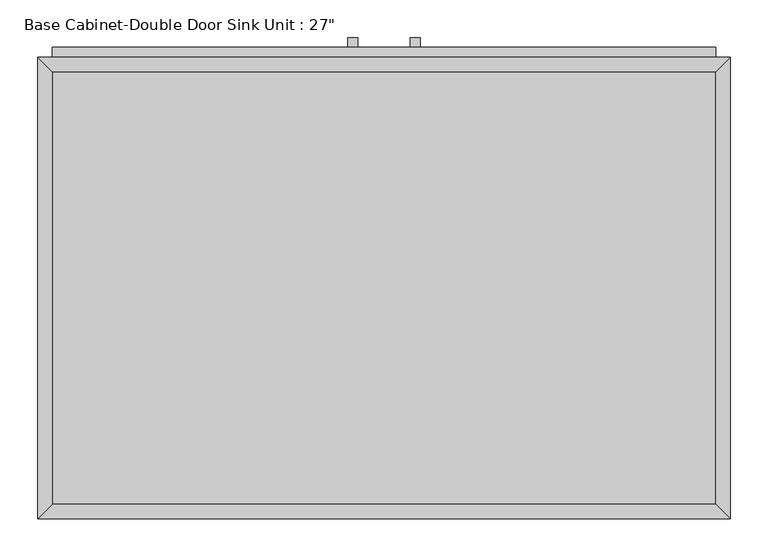
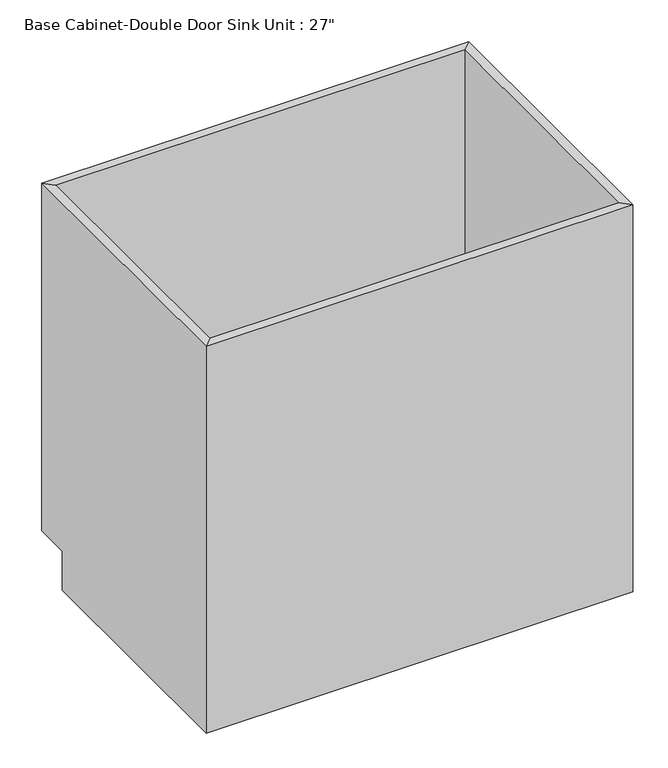
"""IFC4 building model written with IfcOpenShell, lengths in millimetres: furniture geometry."""

from ifc_helpers import new_model, si_unit, frame, origin, place, context, project, spatial, polyline, outline, extrude, faceted_brep, source, transform, mapped, element, save


def furniture_35a007d5(model_context):
    return source(origin(), model_context, "Body", "SolidModel", [
        faceted_brep([(456.8877049, 590.55, 876.3), (-419.4122951, 590.55, 876.3), (-419.4122951, 590.55, 88.9), (456.8877049, 590.55, 88.9), (475.9377049, 609.6, 876.3), (-438.4622951, 609.6, 876.3), (475.9377049, 609.6, 88.9), (-438.4622951, 609.6, 88.9), (-419.4122951, 19.05, 876.3), (-419.4122951, 19.05, 88.9), (-419.4122951, 533.4, 88.9), (-438.4622951, 0.0, 876.3), (-438.4622951, 533.4, 88.9), (-438.4622951, 533.4, 0.0), (-438.4622951, 0.0, 0.0), (456.8877049, 19.05, 876.3), (456.8877049, 19.05, 88.9), (475.9377049, 0.0, 876.3), (475.9377049, 0.0, 0.0), (456.8877049, 533.4, 88.9), (475.9377049, 533.4, 0.0), (475.9377049, 533.4, 88.9)], [[[0, 1, 2, 3]], [[0, 4, 5, 1]], [[4, 6, 7, 5]], [[2, 7, 6, 3]], [[1, 8, 9, 10, 2]], [[5, 11, 8, 1]], [[7, 12, 13, 14, 11, 5]], [[2, 10, 12, 7]], [[8, 15, 16, 9]], [[11, 17, 15, 8]], [[14, 18, 17, 11]], [[3, 19, 16, 15, 0]], [[0, 15, 17, 4]], [[4, 17, 18, 20, 21, 6]], [[6, 21, 19, 3]], [[10, 9, 16, 19]], [[18, 14, 13, 20]], [[13, 12, 10, 19, 21, 20]]]),
        extrude(outline(polyline([(-16.1872951, 635.0), (-16.1872951, 622.3), (-28.8872951, 622.3), (-28.8872951, 635.0), (-16.1872951, 635.0)])), frame((0.0, 0.0, 573.769895), z_axis=(0.0, 0.0, 1.0), x_axis=(1.0, 0.0, 0.0)), (0.0, 0.0, 1.0), 124.730105),
        extrude(outline(polyline([(66.3627049, 635.0), (66.3627049, 622.3), (53.6627049, 622.3), (53.6627049, 635.0), (66.3627049, 635.0)])), frame((0.0, 0.0, 573.769895), z_axis=(0.0, 0.0, 1.0), x_axis=(1.0, 0.0, 0.0)), (0.0, 0.0, 1.0), 124.730105),
        extrude(outline(polyline([(456.8877049, 19.05), (-419.4122951, 19.05), (-419.4122951, 590.55), (456.8877049, 590.55), (456.8877049, 19.05)])), frame((0.0, 0.0, 88.9), z_axis=(0.0, 0.0, 1.0), x_axis=(1.0, 0.0, 0.0)), (0.0, 0.0, 1.0), 19.05),
        extrude(outline(polyline([(9.2127049, 622.3), (9.2127049, 609.6), (-419.4122951, 609.6), (-419.4122951, 622.3), (9.2127049, 622.3)])), frame((0.0, 0.0, 107.95), z_axis=(0.0, 0.0, 1.0), x_axis=(1.0, 0.0, 0.0)), (0.0, 0.0, 1.0), 628.65),
        extrude(outline(polyline([(456.8877049, 622.3), (456.8877049, 609.6), (28.2627049, 609.6), (28.2627049, 622.3), (456.8877049, 622.3)])), frame((0.0, 0.0, 107.95), z_axis=(0.0, 0.0, 1.0), x_axis=(1.0, 0.0, 0.0)), (0.0, 0.0, 1.0), 628.65),
        extrude(outline(polyline([(456.8877049, 622.3), (456.8877049, 609.6), (-419.4122951, 609.6), (-419.4122951, 622.3), (456.8877049, 622.3)])), frame((0.0, 0.0, 755.65), z_axis=(0.0, 0.0, 1.0), x_axis=(1.0, 0.0, 0.0)), (0.0, 0.0, 1.0), 101.6),
    ])


if __name__ == "__main__":
    model = new_model("IFC4")
    model_context = context("Model", 3, world=origin())
    ifc_project = project(units=[si_unit("LENGTHUNIT", "METRE", prefix="MILLI")], contexts=[model_context])
    site = spatial("IfcSite", under=ifc_project)
    building = spatial("IfcBuilding", under=site)
    placement = place(None, origin())
    furniture_shape = furniture_35a007d5(model_context)
    element("IfcFurniture", 1, ObjectType="Base Cabinet-Double Door Sink Unit : 27\"", at=placement, inside=building, context=model_context, shape_type="MappedRepresentation", body=[
        mapped(furniture_shape, transform((0.0, 0.0, 0.0), x_axis=(1.0, 0.0, 0.0), y_axis=(0.0, 1.0, 0.0), z_axis=(0.0, 0.0, 1.0))),
    ])
    save(model, "model.ifc")
